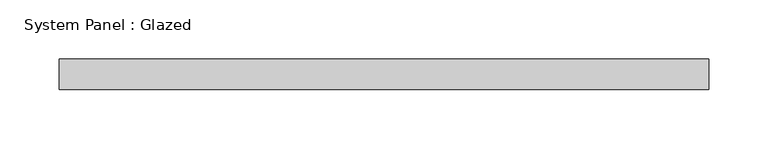
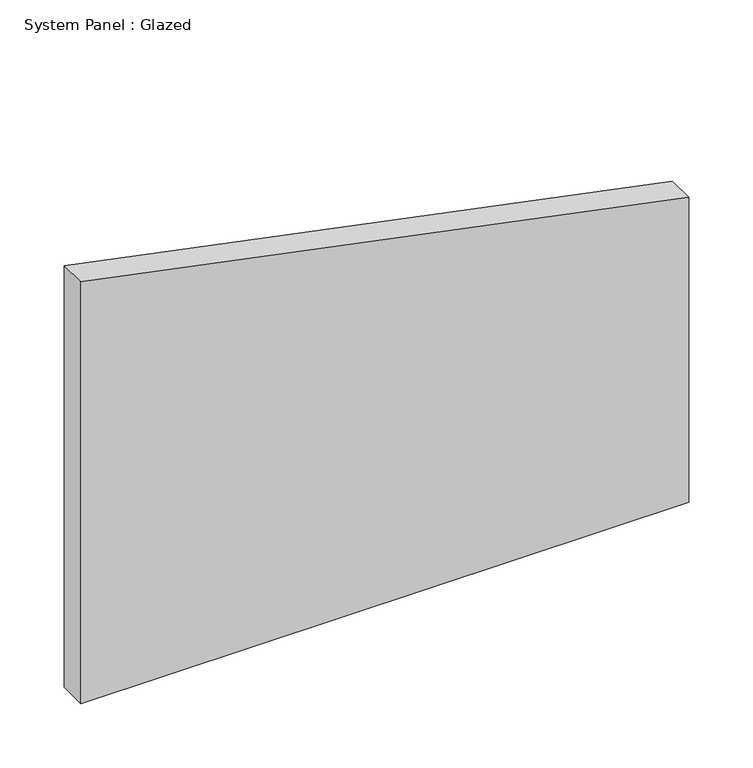
"""IFC4 building model written with IfcOpenShell, lengths in millimetres: plate geometry, System Panel : Glazed."""

from ifc_helpers import new_model, si_unit, frame, origin, place, context, project, spatial, polyline, outline, extrude, source, transform, mapped, element, save


def system_panel_glazed_b48f08dc(model_context):
    return source(origin(), model_context, "Body", "SweptSolid", [
        extrude(outline(polyline([(0.0, -273.05), (0.0, 273.05), (289.5619494, 273.05), (400.531622, -273.05), (0.0, -273.05)])), frame((0.0, 19.05, 0.0), z_axis=(0.0, 1.0, 0.0), x_axis=(0.0, 0.0, 1.0)), (0.0, 0.0, 1.0), 25.4),
    ])


if __name__ == "__main__":
    model = new_model("IFC4")
    model_context = context("Model", 3, world=origin())
    ifc_project = project(units=[si_unit("LENGTHUNIT", "METRE", prefix="MILLI")], contexts=[model_context])
    site = spatial("IfcSite", under=ifc_project)
    building = spatial("IfcBuilding", under=site)
    placement = place(None, origin())
    system_panel_glazed_shape = system_panel_glazed_b48f08dc(model_context)
    element("IfcPlate", 1, ObjectType="System Panel : Glazed", at=placement, inside=building, context=model_context, shape_type="MappedRepresentation", body=[
        mapped(system_panel_glazed_shape, transform((0.0, 0.0, 0.0), x_axis=(1.0, 0.0, 0.0), y_axis=(0.0, 1.0, 0.0), z_axis=(0.0, 0.0, 1.0))),
    ])
    save(model, "model.ifc")
